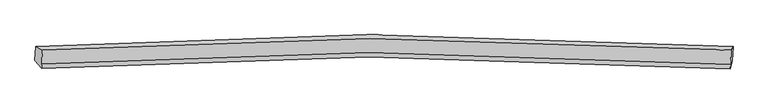
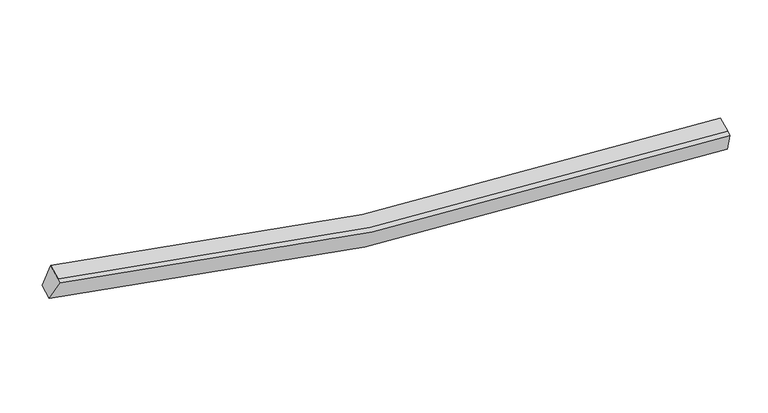
"""IFC4 building model written with IfcOpenShell, lengths in millimetres: proxy geometry."""

import ifcopenshell
import ifcopenshell.guid

model = None  # the IFC model being written
_history = None  # IfcOwnerHistory: only IFC2X3 demands one
_inside = {}  # id of a spatial element -> (the spatial element, [elements in it])
_under = {}  # id of a project, library or spatial element -> (it, [spatial elements below it])
_declared = {}  # id of a project -> (the project, [libraries it declares])
_typed = {}  # id of a type object -> (the type object, [elements of that type])
_made_of = {}  # id of a material, layer set ... -> (it, [elements and type objects made of it])


def new_model(schema):
    """Start an empty IFC model of exactly this schema.

    Asked for "IFC4X3", IfcOpenShell would pick the latest addendum, in which some entities
    have other attributes; the version numbers below select the first issue.
    IFC2X3 requires an IfcOwnerHistory on every rooted entity: one is made here for all.
    """
    global model, _history
    if schema == "IFC4X3":
        model = ifcopenshell.file(schema_version=(4, 3, 0, 0))
    else:
        model = ifcopenshell.file(schema=schema)
    _inside.clear()
    _under.clear()
    _declared.clear()
    _typed.clear()
    _made_of.clear()
    _history = None
    if model.schema == "IFC2X3":
        org = make("IfcOrganization", Name="unknown")
        user = make(
            "IfcPersonAndOrganization",
            ThePerson=make("IfcPerson", FamilyName="unknown"),
            TheOrganization=org,
        )
        app = make(
            "IfcApplication",
            ApplicationDeveloper=org,
            Version="unknown",
            ApplicationFullName="unknown",
            ApplicationIdentifier="unknown",
        )
        _history = make(
            "IfcOwnerHistory",
            OwningUser=user,
            OwningApplication=app,
            ChangeAction="ADDED",
            CreationDate=0,
        )
    return model


def make(cls, **values):
    """One entity of the class cls with the attributes given. An attribute that is None is left unset."""
    return model.create_entity(
        cls, **{name: value for name, value in values.items() if value is not None}
    )


def rooted(cls, **values):
    """An entity with a GlobalId (a new one), such as an element, a storey or a relation."""
    return make(cls, GlobalId=ifcopenshell.guid.new(), OwnerHistory=_history, **values)


def si_unit(unit_type, name, prefix=None):
    """IfcSIUnit, for example si_unit("LENGTHUNIT", "METRE", prefix="MILLI")."""
    return make("IfcSIUnit", UnitType=unit_type, Prefix=prefix, Name=name)


def assignment(units):
    """IfcUnitAssignment: the units of a project."""
    return None if units is None else make("IfcUnitAssignment", Units=units)


def point(xyz):
    """IfcCartesianPoint."""
    return None if xyz is None else make("IfcCartesianPoint", Coordinates=xyz)


def direction(xyz):
    """IfcDirection."""
    return None if xyz is None else make("IfcDirection", DirectionRatios=xyz)


def frame(location, z_axis=None, x_axis=None):
    """IfcAxis2Placement3D, a coordinate frame: its origin and axes. An axis left out is left unset."""
    return make(
        "IfcAxis2Placement3D",
        Location=point(location),
        Axis=direction(z_axis),
        RefDirection=direction(x_axis),
    )


def origin():
    """The frame at (0, 0, 0) with its axes left unset."""
    return frame((0.0, 0.0, 0.0))


def place(relative_to, where):
    """IfcLocalPlacement: puts the frame where relative to a parent placement (None: the world)."""
    return make(
        "IfcLocalPlacement", PlacementRelTo=relative_to, RelativePlacement=where
    )


def context(
    kind, dimensions, precision=None, world=None, true_north=None, identifier=None
):
    """IfcGeometricRepresentationContext, for example the 3D "Model" context."""
    return make(
        "IfcGeometricRepresentationContext",
        ContextIdentifier=identifier,
        ContextType=kind,
        CoordinateSpaceDimension=dimensions,
        Precision=precision,
        WorldCoordinateSystem=world,
        TrueNorth=true_north,
    )


def project(units=None, contexts=None):
    """IfcProject with its units and contexts."""
    return rooted(
        "IfcProject",
        Name="project",
        RepresentationContexts=contexts,
        UnitsInContext=assignment(units),
    )


def spatial(cls, under=None, at=None, **own):
    """A site, building, storey or space (cls), placed at a placement, below another one or the project."""
    s = rooted(cls, ObjectPlacement=at, **own)
    if under is not None:
        _under.setdefault(under.id(), (under, []))[1].append(s)
    return s


def shape(context_of_items, identifier, shape_type, items):
    """IfcShapeRepresentation: the items that make up one representation, for example the "Body"."""
    return make(
        "IfcShapeRepresentation",
        ContextOfItems=context_of_items,
        RepresentationIdentifier=identifier,
        RepresentationType=shape_type,
        Items=items,
    )


def source(mapping_origin, context_of_items, identifier, shape_type, items):
    """IfcRepresentationMap: a shape defined once, which mapped items show again and again."""
    return make(
        "IfcRepresentationMap",
        MappingOrigin=mapping_origin,
        MappedRepresentation=shape(context_of_items, identifier, shape_type, items),
    )


def transform(
    local_origin,
    x_axis=None,
    y_axis=None,
    z_axis=None,
    scale=None,
    scale2=None,
    scale3=None,
    uniform=True,
):
    """IfcCartesianTransformationOperator3D, or its non-uniform kind. x_axis, y_axis, z_axis: its Axis1, 2, 3."""
    if uniform:
        return make(
            "IfcCartesianTransformationOperator3D",
            Axis1=direction(x_axis),
            Axis2=direction(y_axis),
            LocalOrigin=point(local_origin),
            Scale=scale,
            Axis3=direction(z_axis),
        )
    return make(
        "IfcCartesianTransformationOperator3DnonUniform",
        Axis1=direction(x_axis),
        Axis2=direction(y_axis),
        LocalOrigin=point(local_origin),
        Scale=scale,
        Axis3=direction(z_axis),
        Scale2=scale2,
        Scale3=scale3,
    )


def mapped(mapping_source, mapping_target):
    """IfcMappedItem: shows the shape of a source again, moved by a transform."""
    return make(
        "IfcMappedItem", MappingSource=mapping_source, MappingTarget=mapping_target
    )


def made_of(thing, what):
    """Note that an element or type object is made of a material, layer set ...; save() writes the relation."""
    if what is not None:
        _made_of.setdefault(what.id(), (what, []))[1].append(thing)
    return thing


def element(
    cls,
    number,
    at=None,
    inside=None,
    cuts=None,
    type_object=None,
    material=None,
    context=None,
    identifier="Body",
    shape_type=None,
    held_by="IfcProductDefinitionShape",
    body=None,
    shapes=None,
    **own,
):
    """One element of the class cls, such as IfcWall. Its Tag is "e" and its number.

    at: its placement. inside: the storey or other place that contains it. cuts: it is an
    opening in that element (IfcRelVoidsElement). A single representation is given by context,
    identifier, shape_type and body (its items); several are given by shapes. held_by: the class
    of the entity that holds the representations. save() writes the other relations.
    """
    e = rooted(cls, Tag="e%d" % number, ObjectPlacement=at, **own)
    if body is not None:
        shapes = [shape(context, identifier, shape_type, body)]
    if shapes is not None:
        e.Representation = make(held_by, Representations=shapes)
    if inside is not None:
        _inside.setdefault(inside.id(), (inside, []))[1].append(e)
    if cuts is not None:
        rooted(
            "IfcRelVoidsElement", RelatingBuildingElement=cuts, RelatedOpeningElement=e
        )
    if type_object is not None:
        _typed.setdefault(type_object.id(), (type_object, []))[1].append(e)
    return made_of(e, material)


def aggregate(whole, parts):
    """IfcRelAggregates: a whole, such as a stair, and the parts it consists of."""
    return rooted("IfcRelAggregates", RelatingObject=whole, RelatedObjects=parts)


def save(model, path):
    """Write the relations noted so far, then the file.

    IfcRelAggregates (storeys below a building ...), IfcRelContainedInSpatialStructure (elements
    in a storey), IfcRelDefinesByType, IfcRelAssociatesMaterial and IfcRelDeclares: one each for
    every whole, place, type object, material and project.
    """
    for whole, parts in _under.values():
        aggregate(whole, parts)
    for where, things in _inside.values():
        rooted(
            "IfcRelContainedInSpatialStructure",
            RelatedElements=things,
            RelatingStructure=where,
        )
    for kind, things in _typed.values():
        rooted("IfcRelDefinesByType", RelatedObjects=things, RelatingType=kind)
    for what, things in _made_of.values():
        rooted("IfcRelAssociatesMaterial", RelatedObjects=things, RelatingMaterial=what)
    for by, libraries in _declared.values():
        rooted("IfcRelDeclares", RelatingContext=by, RelatedDefinitions=libraries)
    model.write(path)


def plane_surface(at):
    """IfcPlane: the flat surface through the origin of the frame at, square to its z axis."""
    return make("IfcPlane", Position=at)


def spline_curve(degree, points, multiplicities, knots, weights=None):
    """IfcBSplineCurveWithKnots; with weights, IfcRationalBSplineCurveWithKnots."""
    own = dict(
        Degree=degree,
        ControlPointsList=[point(p) for p in points],
        CurveForm="UNSPECIFIED",
        ClosedCurve=False,
        SelfIntersect=False,
        KnotMultiplicities=multiplicities,
        Knots=knots,
        KnotSpec="UNSPECIFIED",
    )
    if weights is None:
        return make("IfcBSplineCurveWithKnots", **own)
    return make("IfcRationalBSplineCurveWithKnots", WeightsData=weights, **own)


def spline_surface(u_degree, v_degree, points, u_multiplicities, v_multiplicities, u_knots, v_knots, weights=None):
    """IfcBSplineSurfaceWithKnots; with weights, IfcRationalBSplineSurfaceWithKnots. points: one row for each step in u."""
    own = dict(
        UDegree=u_degree,
        VDegree=v_degree,
        ControlPointsList=[[point(p) for p in row] for row in points],
        SurfaceForm="UNSPECIFIED",
        UClosed=False,
        VClosed=False,
        SelfIntersect=False,
        UMultiplicities=u_multiplicities,
        VMultiplicities=v_multiplicities,
        UKnots=u_knots,
        VKnots=v_knots,
        KnotSpec="UNSPECIFIED",
    )
    if weights is None:
        return make("IfcBSplineSurfaceWithKnots", **own)
    return make("IfcRationalBSplineSurfaceWithKnots", WeightsData=weights, **own)


def advanced_brep(points, edges, surfaces, faces):
    """IfcAdvancedBrep: a solid bounded by faces that lie on surfaces and meet in shared edges.

    An edge is (start, end): straight between two places in points (the first is 0);
    or (start, end, curve); or (start, end, curve, False) where it runs against its curve.
    A face is (place in surfaces, loops), or (place, loops, False) where it looks against
    its surface's normal. A loop lists edges by number (the first is 1), with a minus sign
    where the edge is run from its end to its start. The first loop is the outer one.
    """
    corners = [point(p) for p in points]
    vertices = [make("IfcVertexPoint", VertexGeometry=c) for c in corners]
    made = []
    for start, end, *more in edges:
        made.append(
            make(
                "IfcEdgeCurve",
                EdgeStart=vertices[start],
                EdgeEnd=vertices[end],
                EdgeGeometry=more[0] if more else make("IfcPolyline", Points=[corners[start], corners[end]]),
                SameSense=more[1] if len(more) > 1 else True,
            )
        )
    hull = []
    for where, loops, *sense in faces:
        bounds = []
        for j, loop in enumerate(loops):
            ring = [make("IfcOrientedEdge", EdgeElement=made[abs(k) - 1], Orientation=k > 0) for k in loop]
            bounds.append(
                make(
                    "IfcFaceOuterBound" if j == 0 else "IfcFaceBound",
                    Bound=make("IfcEdgeLoop", EdgeList=ring),
                    Orientation=True,
                )
            )
        hull.append(make("IfcAdvancedFace", Bounds=bounds, FaceSurface=surfaces[where], SameSense=sense[0] if sense else True))
    return make("IfcAdvancedBrep", Outer=make("IfcClosedShell", CfsFaces=hull))


def generic_models_e1a9c95b(model_context):
    return source(origin(), model_context, "Body", "AdvancedBrep", [
        advanced_brep(
        [(-10144.2079126, -1855.9042201, 4391.5349038), (-9933.2316657, -1969.9184152, 5043.728923), (11251.8295886, -1977.7680901, 2574.0983155), (11310.2406944, -1863.757592, 1891.1217411), (-9952.9124093, -2404.3556164, 4871.5490225), (11232.1488451, -2412.2052912, 2401.9184149), (-9959.2240162, -2543.6794587, 4816.330995), (11225.8372382, -2551.5291336, 2346.7003874), (-10164.1805131, -2296.7839373, 4216.8016497), (11290.268094, -2304.6373092, 1716.388487)],
        [
            (0, 1),
            (1, 2, spline_curve(3, [(-9933.2316657, -1969.9184152, 5043.728923), (-6610.006181923, -1743.271786905, 4109.614634449), (-3255.808055006, -1625.95922844, 3434.170382741), (3800.426553202, -1609.328435469, 2565.423475117), (7507.915511741, -1729.257551239, 2417.657524111), (11251.8295886, -1977.7680901, 2574.0983155)], [4, 2, 4], [0.0, 33.90916205448398, 70.68210706412158])),
            (2, 3),
            (3, 0, spline_curve(3, [(11310.2406944, -1863.757592, 1891.1217411), (7517.812741683, -1611.740380199, 1731.37835681), (3762.744753192, -1490.128631883, 1880.337205714), (-3383.145704331, -1507.031235253, 2760.017895495), (-6779.560583406, -1626.02519189, 3444.530100418), (-10144.2079126, -1855.9042201, 4391.5349038)], [4, 2, 4], [0.0, 36.7729450096376, 70.68210706412158])),
            (1, 4),
            (4, 5, spline_curve(3, [(-9952.9124093, -2404.3556164, 4871.5490225), (-6629.686926442, -2177.708987282, 3937.434734097), (-3275.48879908, -2060.396429891, 3261.990481702), (3780.745810115, -2043.765636188, 2393.243575201), (7488.234768087, -2163.694751753, 2245.477624667), (11232.1488451, -2412.2052912, 2401.9184149)], [4, 2, 4], [0.0, 33.694728226756006, 70.235129496664])),
            (5, 2),
            (4, 6),
            (6, 7, spline_curve(3, [(-9959.2240162, -2543.6794587, 4816.330995), (-6635.998533342, -2317.032829582, 3882.216706597), (-3281.80040588, -2199.720272291, 3206.772454202), (3774.434203315, -2183.089478588, 2338.025547701), (7481.923161187, -2303.018594153, 2190.259597167), (11225.8372382, -2551.5291336, 2346.7003874)], [4, 2, 4], [0.0, 33.69472822675542, 70.23512949666278])),
            (7, 5),
            (6, 8),
            (8, 9, spline_curve(3, [(-10164.1805131, -2296.7839373, 4216.8016497), (-6799.533183906, -2066.90490909, 3269.796846318), (-3403.118304831, -1947.910952453, 2585.284641395), (3742.772152692, -1931.008349083, 1705.603951614), (7497.840141283, -2052.620097399, 1556.64510271), (11290.268094, -2304.6373092, 1716.388487)], [4, 2, 4], [0.0, 33.90916205448339, 70.68210706412034])),
            (9, 7),
            (8, 0),
            (3, 9),
        ],
        [
            spline_surface(3, 3, [[(-10144.2079126, -1855.9042201, 4391.5349038), (-6779.560583245, -1626.025191509, 3444.530100229), (-3383.145703873, -1507.031234708, 2760.017895011), (3762.744752695, -1490.128632473, 1880.337206239), (7517.812742266, -1611.740379937, 1731.378357256), (11310.2406944, -1863.757592, 1891.1217411)], [(-10073.882496967, -1893.908951804, 4608.932910207), (-6723.04244962, -1665.10738988, 3666.224944867), (-3340.699821036, -1546.673899394, 2984.735390811), (3775.305352997, -1529.861899984, 2108.699295963), (7514.513665275, -1650.912770354, 1960.13807973), (11290.77032579, -1901.761091369, 2118.780599235)], [(-10003.557081333, -1931.913683496, 4826.330916593), (-6666.524315993, -1704.189588237, 3887.919789485), (-3298.253938206, -1586.316564132, 3209.452886641), (3787.865953293, -1569.595167547, 2337.061385718), (7511.214588313, -1690.085160765, 2188.897802197), (11271.29995721, -1939.764590731, 2346.439457365)], [(-9933.2316657, -1969.9184152, 5043.728923), (-6610.006182368, -1743.271786608, 4109.614634124), (-3255.808055369, -1625.959228818, 3434.17038244), (3800.426553595, -1609.328435058, 2565.423475443), (7507.915511323, -1729.257551183, 2417.65752467), (11251.8295886, -1977.7680901, 2574.0983155)]], [4, 4], [4, 2, 4], [0.0, 2.2797820178828436], [0.0, 33.90916205448398, 70.68210706412158]),
            spline_surface(3, 3, [[(-9933.2316657, -1969.9184152, 5043.728923), (-6610.006182368, -1743.271786608, 4109.614634124), (-3255.808055369, -1625.959228818, 3434.17038244), (3800.426553595, -1609.328435058, 2565.423475443), (7507.915511323, -1729.257551183, 2417.65752467), (11251.8295886, -1977.7680901, 2574.0983155)], [(-9939.791913553, -2114.730815578, 4986.335622822), (-6616.566430221, -1888.084186986, 4052.221333945), (-3262.368303222, -1770.771629196, 3376.777082262), (3793.866305742, -1754.140835436, 2508.030175265), (7501.355263469, -1874.069951561, 2360.264224492), (11245.269340746, -2122.580490478, 2516.705015322)], [(-9946.352161447, -2259.543216022, 4928.942322678), (-6623.126678114, -2032.89658743, 3994.828033802), (-3268.928551115, -1915.58402954, 3319.383782119), (3787.306057848, -1898.95323578, 2450.636875121), (7494.795015677, -2018.882351905, 2302.870924248), (11238.709092954, -2267.392890822, 2459.311715078)], [(-9952.9124093, -2404.3556164, 4871.5490225), (-6629.686925967, -2177.708987808, 3937.434733624), (-3275.488798969, -2060.396429918, 3261.99048194), (3780.745809995, -2043.765636158, 2393.243574943), (7488.234767823, -2163.694752283, 2245.47762407), (11232.1488451, -2412.2052912, 2401.9184149)]], [4, 4], [4, 2, 4], [0.0, 1.5345387519053912], [0.0, 33.694728226756006, 70.235129496664]),
            spline_surface(3, 3, [[(-9952.9124093, -2404.3556164, 4871.5490225), (-6629.686925967, -2177.708987808, 3937.434733624), (-3275.488798969, -2060.396429918, 3261.99048194), (3780.745809995, -2043.765636158, 2393.243574943), (7488.234767823, -2163.694752283, 2245.47762407), (11232.1488451, -2412.2052912, 2401.9184149)], [(-9955.016278249, -2450.796897195, 4853.14301333), (-6631.790794917, -2224.150268603, 3919.028724453), (-3277.592667918, -2106.837710713, 3243.58447277), (3778.641941045, -2090.206916953, 2374.837565773), (7486.130898874, -2210.136033078, 2227.0716149), (11230.044976151, -2458.646571995, 2383.51240573)], [(-9957.120147251, -2497.238177905, 4834.73700417), (-6633.894663918, -2270.591549313, 3900.622715294), (-3279.696536819, -2153.278991523, 3225.178463611), (3776.538072144, -2136.648197763, 2356.431556613), (7484.027029872, -2256.577313888, 2208.66560574), (11227.941107149, -2505.087852805, 2365.10639657)], [(-9959.2240162, -2543.6794587, 4816.330995), (-6635.998532867, -2317.032830108, 3882.216706124), (-3281.800405769, -2199.720272318, 3206.77245444), (3774.434203195, -2183.089478558, 2338.025547443), (7481.923160923, -2303.018594683, 2190.25959657), (11225.8372382, -2551.5291336, 2346.7003874)]], [4, 4], [4, 2, 4], [0.0, 0.4921259842519685], [0.0, 33.69472822675542, 70.23512949666278]),
            spline_surface(3, 3, [[(-9959.2240162, -2543.6794587, 4816.330995), (-6635.998532867, -2317.032830108, 3882.216706124), (-3281.800405769, -2199.720272318, 3206.77245444), (3774.434203195, -2183.089478558, 2338.025547443), (7481.923160923, -2303.018594683, 2190.25959657), (11225.8372382, -2551.5291336, 2346.7003874)], [(-10027.542848526, -2461.380951562, 4616.487879907), (-6690.510083186, -2233.656856303, 3678.076752799), (-3322.239705299, -2115.783832199, 2999.609849954), (3763.8801862, -2099.062435614, 2127.218349032), (7487.228821221, -2219.552428831, 1979.05476541), (11247.314190117, -2469.231858797, 2136.596420578)], [(-10095.861680774, -2379.082444438, 4416.644764793), (-6745.021633426, -2150.280882513, 3473.936799454), (-3362.679004843, -2031.847392028, 2792.447245397), (3753.326169191, -2015.035392618, 1916.41115055), (7492.534481568, -2136.086262988, 1767.849934316), (11268.791142083, -2386.934584003, 1926.492453822)], [(-10164.1805131, -2296.7839373, 4216.8016497), (-6799.533183745, -2066.904908709, 3269.796846129), (-3403.118304373, -1947.910951908, 2585.284640911), (3742.772152195, -1931.008349673, 1705.603952139), (7497.840141866, -2052.620097137, 1556.645103156), (11290.268094, -2304.6373092, 1716.388487)]], [4, 4], [4, 2, 4], [0.0, 2.2309411423079113], [0.0, 33.90916205448339, 70.68210706412034]),
            spline_surface(3, 3, [[(-10164.1805131, -2296.7839373, 4216.8016497), (-6799.533183745, -2066.904908709, 3269.796846129), (-3403.118304373, -1947.910951908, 2585.284640911), (3742.772152195, -1931.008349673, 1705.603952139), (7497.840141866, -2052.620097137, 1556.645103156), (11290.268094, -2304.6373092, 1716.388487)], [(-10157.522979604, -2149.824031561, 4275.046067735), (-6792.875650249, -1919.94500297, 3328.041264164), (-3396.460770877, -1800.951046169, 2643.529058946), (3749.429685691, -1784.048443934, 1763.848370173), (7504.497675362, -1905.660191398, 1614.889521191), (11296.925627496, -2157.677403461, 1774.632905035)], [(-10150.865446096, -2002.864125839, 4333.290485765), (-6786.218116741, -1772.985097248, 3386.285682194), (-3389.803237369, -1653.991140447, 2701.773476976), (3756.087219199, -1637.088538212, 1822.092788204), (7511.15520877, -1758.700285676, 1673.133939221), (11303.583160904, -2010.717497739, 1832.877323065)], [(-10144.2079126, -1855.9042201, 4391.5349038), (-6779.560583245, -1626.025191509, 3444.530100229), (-3383.145703873, -1507.031234708, 2760.017895011), (3762.744752695, -1490.128632473, 1880.337206239), (7517.812742266, -1611.740379937, 1731.378357256), (11310.2406944, -1863.757592, 1891.1217411)]], [4, 4], [4, 2, 4], [0.0, 1.5572952989123219], [0.0, 34.1235961558615, 71.1290852019892]),
            plane_surface(frame((11269.5439038, -2174.4230312, 2132.0772327), z_axis=(0.9946113277046892, -0.07388260463530213, 0.07273010060366573), x_axis=(0.09475125845628346, 0.36307621236462595, -0.9269292653897102))),
            plane_surface(frame((-10050.2110269, -2166.5715079, 4617.0991179), z_axis=(-0.9525668205933426, -0.07385588203234461, 0.29523170729770076), x_axis=(-0.042077378987593755, -0.9288256158974455, -0.3681201834051829))),
        ],
        [
            (0, [[1, 2, 3, 4]]),
            (1, [[5, 6, 7, -2]]),
            (2, [[8, 9, 10, -6]]),
            (3, [[11, 12, 13, -9]]),
            (4, [[14, -4, 15, -12]]),
            (5, [[-13, -15, -3, -7, -10]]),
            (6, [[-14, -11, -8, -5, -1]]),
        ],
    ),
    ])


if __name__ == "__main__":
    model = new_model("IFC4")
    model_context = context("Model", 3, world=origin())
    ifc_project = project(units=[si_unit("LENGTHUNIT", "METRE", prefix="MILLI")], contexts=[model_context])
    site = spatial("IfcSite", under=ifc_project)
    building = spatial("IfcBuilding", under=site)
    placement = place(None, origin())
    generic_models_shape = generic_models_e1a9c95b(model_context)
    element("IfcBuildingElementProxy", 1, Name="Generic Models", at=placement, inside=building, context=model_context, shape_type="MappedRepresentation", body=[
        mapped(generic_models_shape, transform((0.0, 0.0, 0.0), x_axis=(1.0, 0.0, 0.0), y_axis=(0.0, 1.0, 0.0), z_axis=(0.0, 0.0, 1.0))),
    ])
    save(model, "model.ifc")
